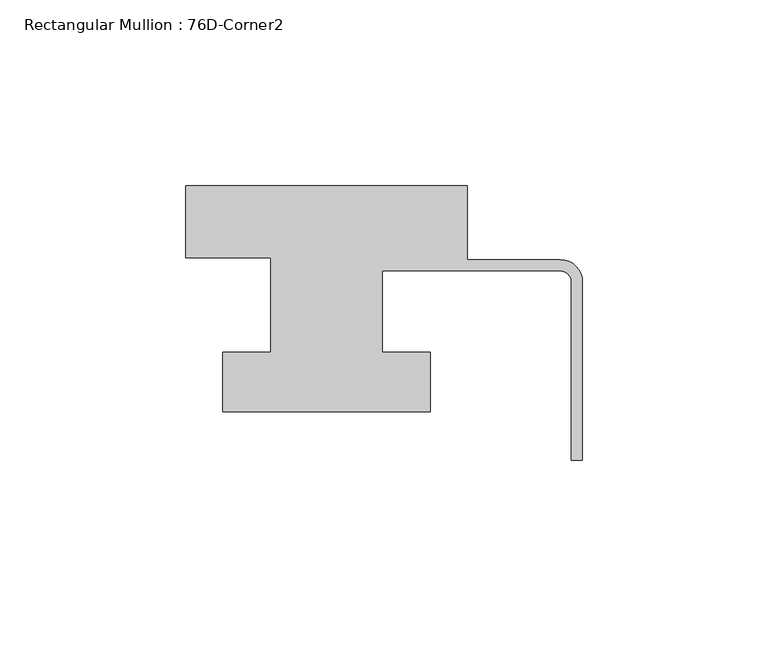
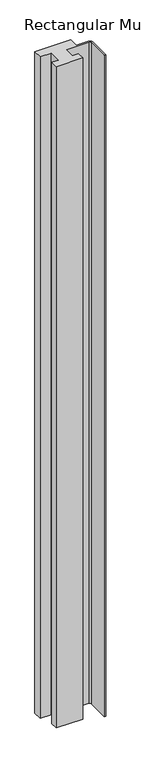
"""IFC4 building model written with IfcOpenShell, lengths in millimetres: member geometry, Rectangular Mullion : 76D-Corner2."""

import ifcopenshell
import ifcopenshell.guid

model = None  # the IFC model being written
_history = None  # IfcOwnerHistory: only IFC2X3 demands one
_inside = {}  # id of a spatial element -> (the spatial element, [elements in it])
_under = {}  # id of a project, library or spatial element -> (it, [spatial elements below it])
_declared = {}  # id of a project -> (the project, [libraries it declares])
_typed = {}  # id of a type object -> (the type object, [elements of that type])
_made_of = {}  # id of a material, layer set ... -> (it, [elements and type objects made of it])


def new_model(schema):
    """Start an empty IFC model of exactly this schema.

    Asked for "IFC4X3", IfcOpenShell would pick the latest addendum, in which some entities
    have other attributes; the version numbers below select the first issue.
    IFC2X3 requires an IfcOwnerHistory on every rooted entity: one is made here for all.
    """
    global model, _history
    if schema == "IFC4X3":
        model = ifcopenshell.file(schema_version=(4, 3, 0, 0))
    else:
        model = ifcopenshell.file(schema=schema)
    _inside.clear()
    _under.clear()
    _declared.clear()
    _typed.clear()
    _made_of.clear()
    _history = None
    if model.schema == "IFC2X3":
        org = make("IfcOrganization", Name="unknown")
        user = make(
            "IfcPersonAndOrganization",
            ThePerson=make("IfcPerson", FamilyName="unknown"),
            TheOrganization=org,
        )
        app = make(
            "IfcApplication",
            ApplicationDeveloper=org,
            Version="unknown",
            ApplicationFullName="unknown",
            ApplicationIdentifier="unknown",
        )
        _history = make(
            "IfcOwnerHistory",
            OwningUser=user,
            OwningApplication=app,
            ChangeAction="ADDED",
            CreationDate=0,
        )
    return model


def make(cls, **values):
    """One entity of the class cls with the attributes given. An attribute that is None is left unset."""
    return model.create_entity(
        cls, **{name: value for name, value in values.items() if value is not None}
    )


def rooted(cls, **values):
    """An entity with a GlobalId (a new one), such as an element, a storey or a relation."""
    return make(cls, GlobalId=ifcopenshell.guid.new(), OwnerHistory=_history, **values)


def si_unit(unit_type, name, prefix=None):
    """IfcSIUnit, for example si_unit("LENGTHUNIT", "METRE", prefix="MILLI")."""
    return make("IfcSIUnit", UnitType=unit_type, Prefix=prefix, Name=name)


def assignment(units):
    """IfcUnitAssignment: the units of a project."""
    return None if units is None else make("IfcUnitAssignment", Units=units)


def point(xyz):
    """IfcCartesianPoint."""
    return None if xyz is None else make("IfcCartesianPoint", Coordinates=xyz)


def direction(xyz):
    """IfcDirection."""
    return None if xyz is None else make("IfcDirection", DirectionRatios=xyz)


def frame(location, z_axis=None, x_axis=None):
    """IfcAxis2Placement3D, a coordinate frame: its origin and axes. An axis left out is left unset."""
    return make(
        "IfcAxis2Placement3D",
        Location=point(location),
        Axis=direction(z_axis),
        RefDirection=direction(x_axis),
    )


def frame_2d(location, x_axis=None):
    """IfcAxis2Placement2D, a coordinate frame in the plane: its origin and x axis."""
    return make(
        "IfcAxis2Placement2D", Location=point(location), RefDirection=direction(x_axis)
    )


def origin():
    """The frame at (0, 0, 0) with its axes left unset."""
    return frame((0.0, 0.0, 0.0))


def place(relative_to, where):
    """IfcLocalPlacement: puts the frame where relative to a parent placement (None: the world)."""
    return make(
        "IfcLocalPlacement", PlacementRelTo=relative_to, RelativePlacement=where
    )


def context(
    kind, dimensions, precision=None, world=None, true_north=None, identifier=None
):
    """IfcGeometricRepresentationContext, for example the 3D "Model" context."""
    return make(
        "IfcGeometricRepresentationContext",
        ContextIdentifier=identifier,
        ContextType=kind,
        CoordinateSpaceDimension=dimensions,
        Precision=precision,
        WorldCoordinateSystem=world,
        TrueNorth=true_north,
    )


def project(units=None, contexts=None):
    """IfcProject with its units and contexts."""
    return rooted(
        "IfcProject",
        Name="project",
        RepresentationContexts=contexts,
        UnitsInContext=assignment(units),
    )


def spatial(cls, under=None, at=None, **own):
    """A site, building, storey or space (cls), placed at a placement, below another one or the project."""
    s = rooted(cls, ObjectPlacement=at, **own)
    if under is not None:
        _under.setdefault(under.id(), (under, []))[1].append(s)
    return s


def polyline(points):
    """IfcPolyline through the points."""
    return make("IfcPolyline", Points=[point(p) for p in points])


def circle_curve(where, radius):
    """IfcCircle in the frame where."""
    return make("IfcCircle", Position=where, Radius=radius)


def trimmed(basis, trim1, trim2, sense, master):
    """IfcTrimmedCurve: the piece of a basis curve between two trims."""
    return make(
        "IfcTrimmedCurve",
        BasisCurve=basis,
        Trim1=trim1,
        Trim2=trim2,
        SenseAgreement=sense,
        MasterRepresentation=master,
    )


def segment(curve, same_sense, transition):
    """IfcCompositeCurveSegment."""
    return make(
        "IfcCompositeCurveSegment",
        Transition=transition,
        SameSense=same_sense,
        ParentCurve=curve,
    )


def composite_curve(segments, self_intersect=None):
    """IfcCompositeCurve: segments joined end to end."""
    return make("IfcCompositeCurve", Segments=segments, SelfIntersect=self_intersect)


def outline(outer, holes=None, kind="AREA"):
    """IfcArbitraryClosedProfileDef: a profile drawn as a closed curve; with holes, ...WithVoids."""
    if holes is None:
        return make("IfcArbitraryClosedProfileDef", ProfileType=kind, OuterCurve=outer)
    return make(
        "IfcArbitraryProfileDefWithVoids",
        ProfileType=kind,
        OuterCurve=outer,
        InnerCurves=holes,
    )


def extrude(swept, where, along, depth):
    """IfcExtrudedAreaSolid: the profile swept, set in the frame where, extruded along a direction by depth."""
    return make(
        "IfcExtrudedAreaSolid",
        SweptArea=swept,
        Position=where,
        ExtrudedDirection=direction(along),
        Depth=depth,
    )


def shape(context_of_items, identifier, shape_type, items):
    """IfcShapeRepresentation: the items that make up one representation, for example the "Body"."""
    return make(
        "IfcShapeRepresentation",
        ContextOfItems=context_of_items,
        RepresentationIdentifier=identifier,
        RepresentationType=shape_type,
        Items=items,
    )


def source(mapping_origin, context_of_items, identifier, shape_type, items):
    """IfcRepresentationMap: a shape defined once, which mapped items show again and again."""
    return make(
        "IfcRepresentationMap",
        MappingOrigin=mapping_origin,
        MappedRepresentation=shape(context_of_items, identifier, shape_type, items),
    )


def transform(
    local_origin,
    x_axis=None,
    y_axis=None,
    z_axis=None,
    scale=None,
    scale2=None,
    scale3=None,
    uniform=True,
):
    """IfcCartesianTransformationOperator3D, or its non-uniform kind. x_axis, y_axis, z_axis: its Axis1, 2, 3."""
    if uniform:
        return make(
            "IfcCartesianTransformationOperator3D",
            Axis1=direction(x_axis),
            Axis2=direction(y_axis),
            LocalOrigin=point(local_origin),
            Scale=scale,
            Axis3=direction(z_axis),
        )
    return make(
        "IfcCartesianTransformationOperator3DnonUniform",
        Axis1=direction(x_axis),
        Axis2=direction(y_axis),
        LocalOrigin=point(local_origin),
        Scale=scale,
        Axis3=direction(z_axis),
        Scale2=scale2,
        Scale3=scale3,
    )


def mapped(mapping_source, mapping_target):
    """IfcMappedItem: shows the shape of a source again, moved by a transform."""
    return make(
        "IfcMappedItem", MappingSource=mapping_source, MappingTarget=mapping_target
    )


def made_of(thing, what):
    """Note that an element or type object is made of a material, layer set ...; save() writes the relation."""
    if what is not None:
        _made_of.setdefault(what.id(), (what, []))[1].append(thing)
    return thing


def element(
    cls,
    number,
    at=None,
    inside=None,
    cuts=None,
    type_object=None,
    material=None,
    context=None,
    identifier="Body",
    shape_type=None,
    held_by="IfcProductDefinitionShape",
    body=None,
    shapes=None,
    **own,
):
    """One element of the class cls, such as IfcWall. Its Tag is "e" and its number.

    at: its placement. inside: the storey or other place that contains it. cuts: it is an
    opening in that element (IfcRelVoidsElement). A single representation is given by context,
    identifier, shape_type and body (its items); several are given by shapes. held_by: the class
    of the entity that holds the representations. save() writes the other relations.
    """
    e = rooted(cls, Tag="e%d" % number, ObjectPlacement=at, **own)
    if body is not None:
        shapes = [shape(context, identifier, shape_type, body)]
    if shapes is not None:
        e.Representation = make(held_by, Representations=shapes)
    if inside is not None:
        _inside.setdefault(inside.id(), (inside, []))[1].append(e)
    if cuts is not None:
        rooted(
            "IfcRelVoidsElement", RelatingBuildingElement=cuts, RelatedOpeningElement=e
        )
    if type_object is not None:
        _typed.setdefault(type_object.id(), (type_object, []))[1].append(e)
    return made_of(e, material)


def aggregate(whole, parts):
    """IfcRelAggregates: a whole, such as a stair, and the parts it consists of."""
    return rooted("IfcRelAggregates", RelatingObject=whole, RelatedObjects=parts)


def save(model, path):
    """Write the relations noted so far, then the file.

    IfcRelAggregates (storeys below a building ...), IfcRelContainedInSpatialStructure (elements
    in a storey), IfcRelDefinesByType, IfcRelAssociatesMaterial and IfcRelDeclares: one each for
    every whole, place, type object, material and project.
    """
    for whole, parts in _under.values():
        aggregate(whole, parts)
    for where, things in _inside.values():
        rooted(
            "IfcRelContainedInSpatialStructure",
            RelatedElements=things,
            RelatingStructure=where,
        )
    for kind, things in _typed.values():
        rooted("IfcRelDefinesByType", RelatedObjects=things, RelatingType=kind)
    for what, things in _made_of.values():
        rooted("IfcRelAssociatesMaterial", RelatedObjects=things, RelatingMaterial=what)
    for by, libraries in _declared.values():
        rooted("IfcRelDeclares", RelatingContext=by, RelatedDefinitions=libraries)
    model.write(path)


def rectangular_mullion_76d_corner2_f6d99114(model_context):
    return source(origin(), model_context, "Body", "SweptSolid", [
        extrude(outline(composite_curve([segment(polyline([(-107.0, 20.0), (-31.0, 20.0), (-31.0, 0.0), (-6.0, 0.0)]), True, "CONTINUOUS"), segment(trimmed(circle_curve(frame_2d((-6.0, -6.0)), 6.0), [point((-6.0, 0.0))], [point((0.0, -6.0))], False, "CARTESIAN"), True, "CONTINUOUS"), segment(polyline([(0.0, -6.0), (0.0, -54.0), (-3.0, -54.0), (-3.0, -6.0)]), True, "CONTINUOUS"), segment(trimmed(circle_curve(frame_2d((-6.0, -6.0)), 3.0), [point((-3.0, -6.0))], [point((-6.0, -3.0))], True, "CARTESIAN"), True, "CONTINUOUS"), segment(polyline([(-6.0, -3.0), (-54.0, -3.0), (-54.0, -25.0), (-41.0, -25.0), (-41.0, -41.0), (-97.0, -41.0), (-97.0, -25.0), (-84.0, -25.0), (-84.0, 0.5), (-107.0, 0.5), (-107.0, 20.0)]), True, "CONTINUOUS")], self_intersect=False)), frame((0.0, 0.0, -1477.534293), z_axis=(0.0, 0.0, 1.0), x_axis=(1.0, 0.0, 0.0)), (0.0, 0.0, 1.0), 1477.534293),
    ])


if __name__ == "__main__":
    model = new_model("IFC4")
    model_context = context("Model", 3, world=origin())
    ifc_project = project(units=[si_unit("LENGTHUNIT", "METRE", prefix="MILLI")], contexts=[model_context])
    site = spatial("IfcSite", under=ifc_project)
    building = spatial("IfcBuilding", under=site)
    placement = place(None, origin())
    rectangular_mullion_76d_corner2_shape = rectangular_mullion_76d_corner2_f6d99114(model_context)
    element("IfcMember", 1, ObjectType="Rectangular Mullion : 76D-Corner2", at=placement, inside=building, context=model_context, shape_type="MappedRepresentation", body=[
        mapped(rectangular_mullion_76d_corner2_shape, transform((0.0, 0.0, 0.0), x_axis=(1.0, 0.0, 0.0), y_axis=(0.0, 1.0, 0.0), z_axis=(0.0, 0.0, 1.0))),
    ])
    save(model, "model.ifc")
